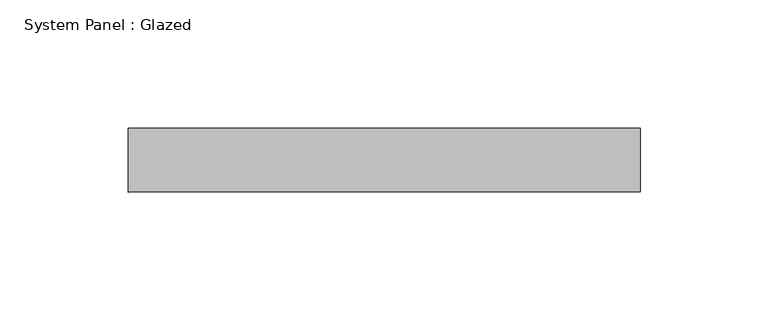
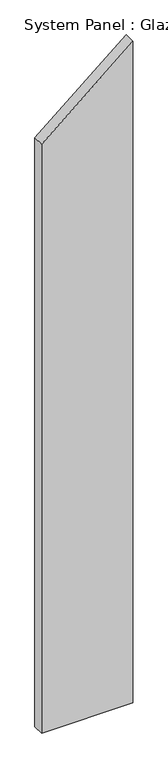
"""IFC4 building model written with IfcOpenShell, lengths in millimetres: plate geometry, System Panel : Glazed."""

from ifc_helpers import new_model, si_unit, frame, origin, place, context, project, spatial, polyline, outline, extrude, source, transform, mapped, element, save


def system_panel_glazed_07ef4b70(model_context):
    return source(origin(), model_context, "Body", "SweptSolid", [
        extrude(outline(polyline([(0.0, -100.0), (0.0, 100.0), (1531.1380086, 100.0), (1363.3180824, -100.0), (0.0, -100.0)])), frame((0.0, 24.5, 0.0), z_axis=(0.0, 1.0, 0.0), x_axis=(0.0, 0.0, 1.0)), (0.0, 0.0, 1.0), 25.0),
    ])


if __name__ == "__main__":
    model = new_model("IFC4")
    model_context = context("Model", 3, world=origin())
    ifc_project = project(units=[si_unit("LENGTHUNIT", "METRE", prefix="MILLI")], contexts=[model_context])
    site = spatial("IfcSite", under=ifc_project)
    building = spatial("IfcBuilding", under=site)
    placement = place(None, origin())
    system_panel_glazed_shape = system_panel_glazed_07ef4b70(model_context)
    element("IfcPlate", 1, ObjectType="System Panel : Glazed", at=placement, inside=building, context=model_context, shape_type="MappedRepresentation", body=[
        mapped(system_panel_glazed_shape, transform((0.0, 0.0, 0.0), x_axis=(1.0, 0.0, 0.0), y_axis=(0.0, 1.0, 0.0), z_axis=(0.0, 0.0, 1.0))),
    ])
    save(model, "model.ifc")
